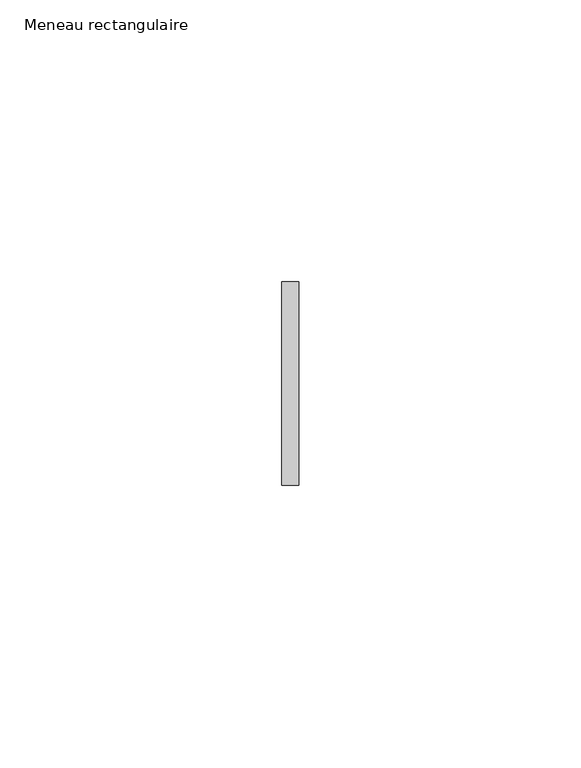
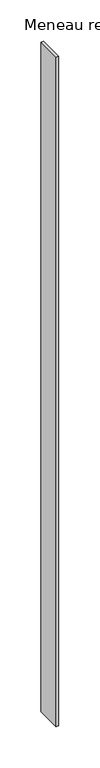
"""IFC4 building model written with IfcOpenShell, lengths in millimetres: member geometry, Meneau rectangulaire."""

from ifc_helpers import new_model, si_unit, frame, origin, place, context, project, spatial, polyline, outline, extrude, source, transform, mapped, element, save


def meneau_rectangulaire_d7bab27a(model_context):
    return source(origin(), model_context, "Body", "SweptSolid", [
        extrude(outline(polyline([(-1.5, 18.0), (1.5, 18.0), (1.5, -18.0), (-1.5, -18.0), (-1.5, 18.0)])), frame((0.0, 0.0, -985.0), z_axis=(0.0, 0.0, 1.0), x_axis=(1.0, 0.0, 0.0)), (0.0, 0.0, 1.0), 985.0),
    ])


if __name__ == "__main__":
    model = new_model("IFC4")
    model_context = context("Model", 3, world=origin())
    ifc_project = project(units=[si_unit("LENGTHUNIT", "METRE", prefix="MILLI")], contexts=[model_context])
    site = spatial("IfcSite", under=ifc_project)
    building = spatial("IfcBuilding", under=site)
    placement = place(None, origin())
    meneau_rectangulaire_shape = meneau_rectangulaire_d7bab27a(model_context)
    element("IfcMember", 1, ObjectType="Meneau rectangulaire", at=placement, inside=building, context=model_context, shape_type="MappedRepresentation", body=[
        mapped(meneau_rectangulaire_shape, transform((0.0, 0.0, 0.0), x_axis=(1.0, 0.0, 0.0), y_axis=(0.0, 1.0, 0.0), z_axis=(0.0, 0.0, 1.0))),
    ])
    save(model, "model.ifc")
